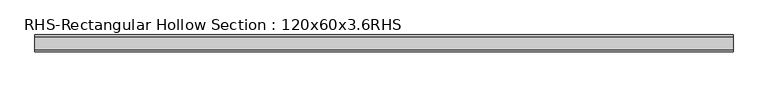
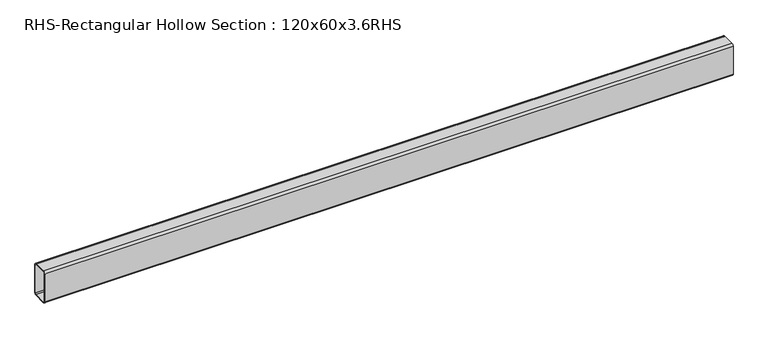
"""IFC4 building model written with IfcOpenShell, lengths in millimetres: beam geometry, RHS-Rectangular Hollow Section : 120x60x3.6RHS."""

import ifcopenshell
import ifcopenshell.guid

model = None  # the IFC model being written
_history = None  # IfcOwnerHistory: only IFC2X3 demands one
_inside = {}  # id of a spatial element -> (the spatial element, [elements in it])
_under = {}  # id of a project, library or spatial element -> (it, [spatial elements below it])
_declared = {}  # id of a project -> (the project, [libraries it declares])
_typed = {}  # id of a type object -> (the type object, [elements of that type])
_made_of = {}  # id of a material, layer set ... -> (it, [elements and type objects made of it])


def new_model(schema):
    """Start an empty IFC model of exactly this schema.

    Asked for "IFC4X3", IfcOpenShell would pick the latest addendum, in which some entities
    have other attributes; the version numbers below select the first issue.
    IFC2X3 requires an IfcOwnerHistory on every rooted entity: one is made here for all.
    """
    global model, _history
    if schema == "IFC4X3":
        model = ifcopenshell.file(schema_version=(4, 3, 0, 0))
    else:
        model = ifcopenshell.file(schema=schema)
    _inside.clear()
    _under.clear()
    _declared.clear()
    _typed.clear()
    _made_of.clear()
    _history = None
    if model.schema == "IFC2X3":
        org = make("IfcOrganization", Name="unknown")
        user = make(
            "IfcPersonAndOrganization",
            ThePerson=make("IfcPerson", FamilyName="unknown"),
            TheOrganization=org,
        )
        app = make(
            "IfcApplication",
            ApplicationDeveloper=org,
            Version="unknown",
            ApplicationFullName="unknown",
            ApplicationIdentifier="unknown",
        )
        _history = make(
            "IfcOwnerHistory",
            OwningUser=user,
            OwningApplication=app,
            ChangeAction="ADDED",
            CreationDate=0,
        )
    return model


def make(cls, **values):
    """One entity of the class cls with the attributes given. An attribute that is None is left unset."""
    return model.create_entity(
        cls, **{name: value for name, value in values.items() if value is not None}
    )


def rooted(cls, **values):
    """An entity with a GlobalId (a new one), such as an element, a storey or a relation."""
    return make(cls, GlobalId=ifcopenshell.guid.new(), OwnerHistory=_history, **values)


def si_unit(unit_type, name, prefix=None):
    """IfcSIUnit, for example si_unit("LENGTHUNIT", "METRE", prefix="MILLI")."""
    return make("IfcSIUnit", UnitType=unit_type, Prefix=prefix, Name=name)


def assignment(units):
    """IfcUnitAssignment: the units of a project."""
    return None if units is None else make("IfcUnitAssignment", Units=units)


def point(xyz):
    """IfcCartesianPoint."""
    return None if xyz is None else make("IfcCartesianPoint", Coordinates=xyz)


def direction(xyz):
    """IfcDirection."""
    return None if xyz is None else make("IfcDirection", DirectionRatios=xyz)


def frame(location, z_axis=None, x_axis=None):
    """IfcAxis2Placement3D, a coordinate frame: its origin and axes. An axis left out is left unset."""
    return make(
        "IfcAxis2Placement3D",
        Location=point(location),
        Axis=direction(z_axis),
        RefDirection=direction(x_axis),
    )


def frame_2d(location, x_axis=None):
    """IfcAxis2Placement2D, a coordinate frame in the plane: its origin and x axis."""
    return make(
        "IfcAxis2Placement2D", Location=point(location), RefDirection=direction(x_axis)
    )


def origin():
    """The frame at (0, 0, 0) with its axes left unset."""
    return frame((0.0, 0.0, 0.0))


def place(relative_to, where):
    """IfcLocalPlacement: puts the frame where relative to a parent placement (None: the world)."""
    return make(
        "IfcLocalPlacement", PlacementRelTo=relative_to, RelativePlacement=where
    )


def context(
    kind, dimensions, precision=None, world=None, true_north=None, identifier=None
):
    """IfcGeometricRepresentationContext, for example the 3D "Model" context."""
    return make(
        "IfcGeometricRepresentationContext",
        ContextIdentifier=identifier,
        ContextType=kind,
        CoordinateSpaceDimension=dimensions,
        Precision=precision,
        WorldCoordinateSystem=world,
        TrueNorth=true_north,
    )


def project(units=None, contexts=None):
    """IfcProject with its units and contexts."""
    return rooted(
        "IfcProject",
        Name="project",
        RepresentationContexts=contexts,
        UnitsInContext=assignment(units),
    )


def spatial(cls, under=None, at=None, **own):
    """A site, building, storey or space (cls), placed at a placement, below another one or the project."""
    s = rooted(cls, ObjectPlacement=at, **own)
    if under is not None:
        _under.setdefault(under.id(), (under, []))[1].append(s)
    return s


def polyline(points):
    """IfcPolyline through the points."""
    return make("IfcPolyline", Points=[point(p) for p in points])


def circle_curve(where, radius):
    """IfcCircle in the frame where."""
    return make("IfcCircle", Position=where, Radius=radius)


def trimmed(basis, trim1, trim2, sense, master):
    """IfcTrimmedCurve: the piece of a basis curve between two trims."""
    return make(
        "IfcTrimmedCurve",
        BasisCurve=basis,
        Trim1=trim1,
        Trim2=trim2,
        SenseAgreement=sense,
        MasterRepresentation=master,
    )


def segment(curve, same_sense, transition):
    """IfcCompositeCurveSegment."""
    return make(
        "IfcCompositeCurveSegment",
        Transition=transition,
        SameSense=same_sense,
        ParentCurve=curve,
    )


def composite_curve(segments, self_intersect=None):
    """IfcCompositeCurve: segments joined end to end."""
    return make("IfcCompositeCurve", Segments=segments, SelfIntersect=self_intersect)


def outline(outer, holes=None, kind="AREA"):
    """IfcArbitraryClosedProfileDef: a profile drawn as a closed curve; with holes, ...WithVoids."""
    if holes is None:
        return make("IfcArbitraryClosedProfileDef", ProfileType=kind, OuterCurve=outer)
    return make(
        "IfcArbitraryProfileDefWithVoids",
        ProfileType=kind,
        OuterCurve=outer,
        InnerCurves=holes,
    )


def extrude(swept, where, along, depth):
    """IfcExtrudedAreaSolid: the profile swept, set in the frame where, extruded along a direction by depth."""
    return make(
        "IfcExtrudedAreaSolid",
        SweptArea=swept,
        Position=where,
        ExtrudedDirection=direction(along),
        Depth=depth,
    )


def shape(context_of_items, identifier, shape_type, items):
    """IfcShapeRepresentation: the items that make up one representation, for example the "Body"."""
    return make(
        "IfcShapeRepresentation",
        ContextOfItems=context_of_items,
        RepresentationIdentifier=identifier,
        RepresentationType=shape_type,
        Items=items,
    )


def source(mapping_origin, context_of_items, identifier, shape_type, items):
    """IfcRepresentationMap: a shape defined once, which mapped items show again and again."""
    return make(
        "IfcRepresentationMap",
        MappingOrigin=mapping_origin,
        MappedRepresentation=shape(context_of_items, identifier, shape_type, items),
    )


def transform(
    local_origin,
    x_axis=None,
    y_axis=None,
    z_axis=None,
    scale=None,
    scale2=None,
    scale3=None,
    uniform=True,
):
    """IfcCartesianTransformationOperator3D, or its non-uniform kind. x_axis, y_axis, z_axis: its Axis1, 2, 3."""
    if uniform:
        return make(
            "IfcCartesianTransformationOperator3D",
            Axis1=direction(x_axis),
            Axis2=direction(y_axis),
            LocalOrigin=point(local_origin),
            Scale=scale,
            Axis3=direction(z_axis),
        )
    return make(
        "IfcCartesianTransformationOperator3DnonUniform",
        Axis1=direction(x_axis),
        Axis2=direction(y_axis),
        LocalOrigin=point(local_origin),
        Scale=scale,
        Axis3=direction(z_axis),
        Scale2=scale2,
        Scale3=scale3,
    )


def mapped(mapping_source, mapping_target):
    """IfcMappedItem: shows the shape of a source again, moved by a transform."""
    return make(
        "IfcMappedItem", MappingSource=mapping_source, MappingTarget=mapping_target
    )


def made_of(thing, what):
    """Note that an element or type object is made of a material, layer set ...; save() writes the relation."""
    if what is not None:
        _made_of.setdefault(what.id(), (what, []))[1].append(thing)
    return thing


def element(
    cls,
    number,
    at=None,
    inside=None,
    cuts=None,
    type_object=None,
    material=None,
    context=None,
    identifier="Body",
    shape_type=None,
    held_by="IfcProductDefinitionShape",
    body=None,
    shapes=None,
    **own,
):
    """One element of the class cls, such as IfcWall. Its Tag is "e" and its number.

    at: its placement. inside: the storey or other place that contains it. cuts: it is an
    opening in that element (IfcRelVoidsElement). A single representation is given by context,
    identifier, shape_type and body (its items); several are given by shapes. held_by: the class
    of the entity that holds the representations. save() writes the other relations.
    """
    e = rooted(cls, Tag="e%d" % number, ObjectPlacement=at, **own)
    if body is not None:
        shapes = [shape(context, identifier, shape_type, body)]
    if shapes is not None:
        e.Representation = make(held_by, Representations=shapes)
    if inside is not None:
        _inside.setdefault(inside.id(), (inside, []))[1].append(e)
    if cuts is not None:
        rooted(
            "IfcRelVoidsElement", RelatingBuildingElement=cuts, RelatedOpeningElement=e
        )
    if type_object is not None:
        _typed.setdefault(type_object.id(), (type_object, []))[1].append(e)
    return made_of(e, material)


def aggregate(whole, parts):
    """IfcRelAggregates: a whole, such as a stair, and the parts it consists of."""
    return rooted("IfcRelAggregates", RelatingObject=whole, RelatedObjects=parts)


def save(model, path):
    """Write the relations noted so far, then the file.

    IfcRelAggregates (storeys below a building ...), IfcRelContainedInSpatialStructure (elements
    in a storey), IfcRelDefinesByType, IfcRelAssociatesMaterial and IfcRelDeclares: one each for
    every whole, place, type object, material and project.
    """
    for whole, parts in _under.values():
        aggregate(whole, parts)
    for where, things in _inside.values():
        rooted(
            "IfcRelContainedInSpatialStructure",
            RelatedElements=things,
            RelatingStructure=where,
        )
    for kind, things in _typed.values():
        rooted("IfcRelDefinesByType", RelatedObjects=things, RelatingType=kind)
    for what, things in _made_of.values():
        rooted("IfcRelAssociatesMaterial", RelatedObjects=things, RelatingMaterial=what)
    for by, libraries in _declared.values():
        rooted("IfcRelDeclares", RelatingContext=by, RelatedDefinitions=libraries)
    model.write(path)


def rhs_rectangular_hollow_section_120x60x3_6rhs_91cfa64b(model_context):
    return source(origin(), model_context, "Body", "SweptSolid", [
        extrude(outline(composite_curve([segment(polyline([(30.0, 52.8), (30.0, -52.8)]), True, "CONTINUOUS"), segment(trimmed(circle_curve(frame_2d((22.8, -52.8)), 7.2), [point((30.0, -52.8))], [point((22.8, -60.0))], False, "CARTESIAN"), True, "CONTINUOUS"), segment(polyline([(22.8, -60.0), (-22.8, -60.0)]), True, "CONTINUOUS"), segment(trimmed(circle_curve(frame_2d((-22.8, -52.8)), 7.2), [point((-22.8, -60.0))], [point((-30.0, -52.8))], False, "CARTESIAN"), True, "CONTINUOUS"), segment(polyline([(-30.0, -52.8), (-30.0, 52.8)]), True, "CONTINUOUS"), segment(trimmed(circle_curve(frame_2d((-22.8, 52.8)), 7.2), [point((-30.0, 52.8))], [point((-22.8, 60.0))], False, "CARTESIAN"), True, "CONTINUOUS"), segment(polyline([(-22.8, 60.0), (22.8, 60.0)]), True, "CONTINUOUS"), segment(trimmed(circle_curve(frame_2d((22.8, 52.8)), 7.2), [point((22.8, 60.0))], [point((30.0, 52.8))], False, "CARTESIAN"), True, "CONTINUOUS")], self_intersect=False), holes=[composite_curve([segment(trimmed(circle_curve(frame_2d((-22.8, 52.8)), 3.6), [point((-22.8, 56.4))], [point((-26.4, 52.8))], True, "CARTESIAN"), True, "CONTINUOUS"), segment(polyline([(-26.4, 52.8), (-26.4, -52.8)]), True, "CONTINUOUS"), segment(trimmed(circle_curve(frame_2d((-22.8, -52.8)), 3.6), [point((-26.4, -52.8))], [point((-22.8, -56.4))], True, "CARTESIAN"), True, "CONTINUOUS"), segment(polyline([(-22.8, -56.4), (22.8, -56.4)]), True, "CONTINUOUS"), segment(trimmed(circle_curve(frame_2d((22.8, -52.8)), 3.6), [point((22.8, -56.4))], [point((26.4, -52.8))], True, "CARTESIAN"), True, "CONTINUOUS"), segment(polyline([(26.4, -52.8), (26.4, 52.8)]), True, "CONTINUOUS"), segment(trimmed(circle_curve(frame_2d((22.8, 52.8)), 3.6), [point((26.4, 52.8))], [point((22.8, 56.4))], True, "CARTESIAN"), True, "CONTINUOUS"), segment(polyline([(22.8, 56.4), (-22.8, 56.4)]), True, "CONTINUOUS")], self_intersect=False)]), frame((-1110.2859127, 0.0, 0.0), z_axis=(1.0, 0.0, 0.0), x_axis=(0.0, 1.0, 0.0)), (0.0, 0.0, 1.0), 2468.2762482),
    ])


if __name__ == "__main__":
    model = new_model("IFC4")
    model_context = context("Model", 3, world=origin())
    ifc_project = project(units=[si_unit("LENGTHUNIT", "METRE", prefix="MILLI")], contexts=[model_context])
    site = spatial("IfcSite", under=ifc_project)
    building = spatial("IfcBuilding", under=site)
    placement = place(None, origin())
    rhs_rectangular_hollow_section_120x60x3_6rhs_shape = rhs_rectangular_hollow_section_120x60x3_6rhs_91cfa64b(model_context)
    element("IfcBeam", 1, ObjectType="RHS-Rectangular Hollow Section : 120x60x3.6RHS", at=placement, inside=building, context=model_context, shape_type="MappedRepresentation", body=[
        mapped(rhs_rectangular_hollow_section_120x60x3_6rhs_shape, transform((0.0, 0.0, 0.0), x_axis=(1.0, 0.0, 0.0), y_axis=(0.0, 1.0, 0.0), z_axis=(0.0, 0.0, 1.0))),
    ])
    save(model, "model.ifc")
